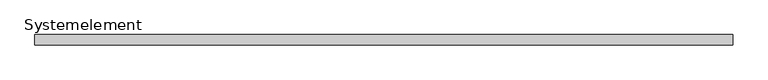
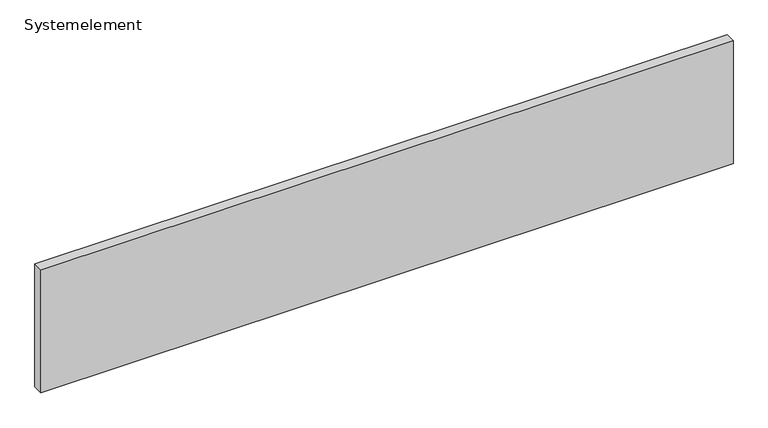
"""IFC4 building model written with IfcOpenShell, lengths in millimetres: plate geometry, Systemelement."""

from ifc_helpers import new_model, si_unit, origin, origin_with_axes, place, context, project, spatial, polyline, outline, extrude, source, transform, mapped, element, save


def systemelement_daa24fa6(model_context):
    return source(origin(), model_context, "Body", "SweptSolid", [
        extrude(outline(polyline([(2000.0, -60.0), (-2000.0, -60.0), (-2000.0, 0.0), (2000.0, 0.0), (2000.0, -60.0)])), origin_with_axes(), (0.0, 0.0, 1.0), 751.6147161),
    ])


if __name__ == "__main__":
    model = new_model("IFC4")
    model_context = context("Model", 3, world=origin())
    ifc_project = project(units=[si_unit("LENGTHUNIT", "METRE", prefix="MILLI")], contexts=[model_context])
    site = spatial("IfcSite", under=ifc_project)
    building = spatial("IfcBuilding", under=site)
    placement = place(None, origin())
    systemelement_shape = systemelement_daa24fa6(model_context)
    element("IfcPlate", 1, ObjectType="Systemelement", at=placement, inside=building, context=model_context, shape_type="MappedRepresentation", body=[
        mapped(systemelement_shape, transform((0.0, 0.0, 0.0), x_axis=(1.0, 0.0, 0.0), y_axis=(0.0, 1.0, 0.0), z_axis=(0.0, 0.0, 1.0))),
    ])
    save(model, "model.ifc")
